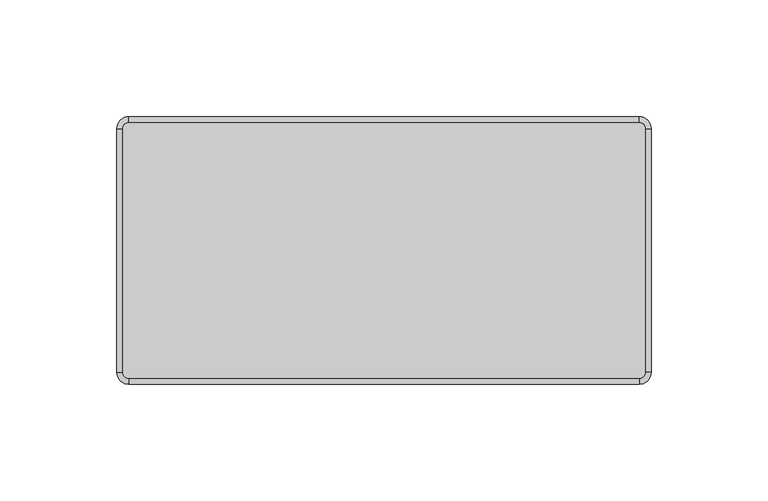
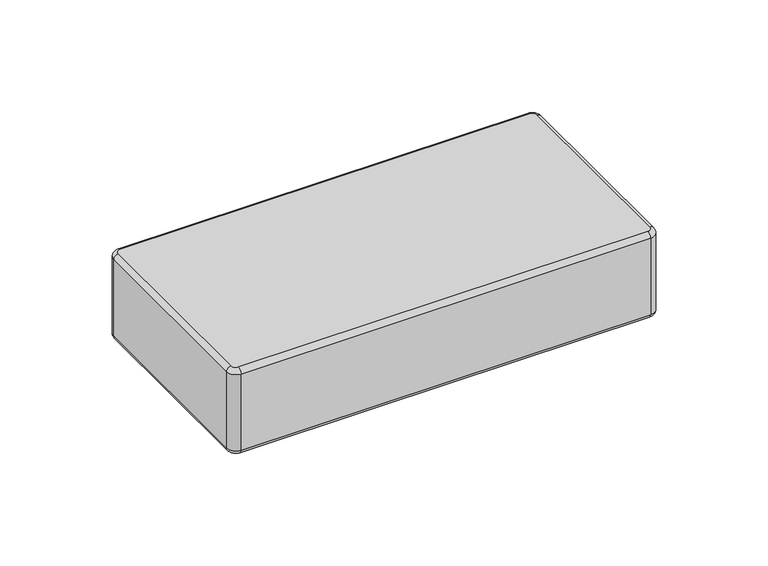
"""IFC4 building model written with IfcOpenShell, lengths in millimetres: plate geometry."""

from ifc_helpers import new_model, si_unit, point, frame, origin, place, context, project, spatial, circle_curve, ellipse_curve, trimmed, source, transform, mapped, element, save
from ifc_brep_helpers import plane_surface, cylinder_surface, revolved_surface, advanced_brep


def plate_af0381b7(model_context):
    return source(origin(), model_context, "Body", "AdvancedBrep", [
        advanced_brep(
        [(111.7999998, 52.15, 48.0), (109.2999998, 54.65, 48.0), (-109.3000002, 54.65, 48.0), (-111.8000002, 52.15, 48.0), (-111.8000002, -52.15, 48.0), (-109.3000002, -54.65, 48.0), (109.2999998, -54.65, 48.0), (111.7999998, -52.15, 48.0), (-111.8000002, 52.15, 0.0), (-109.3000002, 54.65, 0.0), (109.2999998, 54.65, 0.0), (111.7999998, 52.15, 0.0), (111.7999998, -52.15, 0.0), (109.2999998, -54.65, 0.0), (-109.3000002, -54.65, 0.0), (-111.8000002, -52.15, 0.0), (-109.3000002, -57.15, 2.5), (109.2999998, -57.15, 2.5), (109.2999998, -57.15, 45.5), (-109.3000002, -57.15, 45.5), (114.2999998, -52.15, 2.5), (114.2999998, 52.15, 2.5), (114.2999998, 52.15, 45.5000019), (114.2999998, -52.15, 45.5), (109.2999998, 57.15, 2.5), (-109.3000002, 57.15, 2.5), (-109.3000002, 57.15, 45.5), (109.2999998, 57.15, 45.5), (-114.3000002, 52.15, 2.5), (-114.3000002, -52.15, 2.5), (-114.3000002, -52.15, 45.5), (-114.3000002, 52.15, 45.5)],
        [
            (0, 1, circle_curve(frame((109.2999998, 52.15, 48.0), z_axis=(0.0, 0.0, 1.0), x_axis=(1.0, 0.0, 0.0)), 2.5)),
            (1, 2),
            (2, 3, circle_curve(frame((-109.3000002, 52.15, 48.0), z_axis=(0.0, 0.0, 1.0), x_axis=(0.0, 1.0, 0.0)), 2.5)),
            (3, 4),
            (4, 5, circle_curve(frame((-109.3000002, -52.15, 48.0), z_axis=(0.0, 0.0, 1.0), x_axis=(-1.0, 0.0, 0.0)), 2.5)),
            (5, 6),
            (6, 7, circle_curve(frame((109.2999998, -52.15, 48.0), z_axis=(0.0, 0.0, 1.0), x_axis=(0.0, -1.0, 0.0)), 2.5)),
            (7, 0),
            (8, 9, circle_curve(frame((-109.3000002, 52.15, 0.0), z_axis=(0.0, 0.0, -1.0), x_axis=(-1.0, 0.0, 0.0)), 2.5)),
            (9, 10),
            (10, 11, circle_curve(frame((109.2999998, 52.15, 0.0), z_axis=(0.0, 0.0, -1.0), x_axis=(0.0, 1.0, 0.0)), 2.5)),
            (11, 12),
            (12, 13, circle_curve(frame((109.2999998, -52.15, 0.0), z_axis=(0.0, 0.0, -1.0), x_axis=(1.0, 0.0, 0.0)), 2.5)),
            (13, 14),
            (14, 15, circle_curve(frame((-109.3000002, -52.15, 0.0), z_axis=(0.0, 0.0, -1.0), x_axis=(0.0, -1.0, 0.0)), 2.5)),
            (15, 8),
            (16, 17),
            (17, 18),
            (18, 19),
            (19, 16),
            (20, 21),
            (21, 22),
            (22, 23),
            (23, 20),
            (24, 25),
            (25, 26),
            (26, 27),
            (27, 24),
            (28, 29),
            (29, 30),
            (30, 31),
            (31, 28),
            (29, 16, circle_curve(frame((-109.3000002, -52.15, 2.5), z_axis=(0.0, 0.0, 1.0), x_axis=(1.0, 0.0, 0.0)), 5.0)),
            (19, 30, circle_curve(frame((-109.3000002, -52.15, 45.5), z_axis=(0.0, 0.0, -1.0), x_axis=(1.0, 0.0, 0.0)), 5.0)),
            (17, 20, circle_curve(frame((109.2999998, -52.15, 2.5), z_axis=(0.0, 0.0, 1.0), x_axis=(1.0, 0.0, 0.0)), 5.0)),
            (23, 18, circle_curve(frame((109.2999998, -52.15, 45.5), z_axis=(0.0, 0.0, -1.0), x_axis=(1.0, 0.0, 0.0)), 5.0)),
            (21, 24, circle_curve(frame((109.2999998, 52.15, 2.5), z_axis=(0.0, 0.0, 1.0), x_axis=(1.0, 0.0, 0.0)), 5.0)),
            (27, 22, circle_curve(frame((109.2999998, 52.15, 45.5), z_axis=(0.0, 0.0, -1.0), x_axis=(1.0, 0.0, 0.0)), 5.0)),
            (25, 28, circle_curve(frame((-109.3000002, 52.15, 2.5), z_axis=(0.0, 0.0, 1.0), x_axis=(1.0, 0.0, 0.0)), 5.0)),
            (31, 26, circle_curve(frame((-109.3000002, 52.15, 45.5), z_axis=(0.0, 0.0, -1.0), x_axis=(1.0, 0.0, 0.0)), 5.0)),
            (25, 9, circle_curve(frame((-109.3000002, 54.65, 2.5), z_axis=(-1.0, 0.0, 0.0), x_axis=(0.0, -1.0, 0.0)), 2.5)),
            (8, 28, circle_curve(frame((-111.8000002, 52.15, 2.5), z_axis=(0.0, 1.0, 0.0), x_axis=(1.0, 0.0, 0.0)), 2.5)),
            (24, 10, circle_curve(frame((109.2999998, 54.65, 2.5), z_axis=(-1.0, 0.0, 0.0), x_axis=(0.0, -1.0, 0.0)), 2.5)),
            (21, 11, circle_curve(frame((111.7999998, 52.15, 2.5), z_axis=(0.0, 1.0, 0.0), x_axis=(-1.0, 0.0, 0.0)), 2.5)),
            (20, 12, circle_curve(frame((111.7999998, -52.15, 2.5), z_axis=(0.0, 1.0, 0.0), x_axis=(-1.0, 0.0, 0.0)), 2.5)),
            (17, 13, circle_curve(frame((109.2999998, -54.65, 2.5), z_axis=(1.0, 0.0, 0.0), x_axis=(0.0, 1.0, 0.0)), 2.5)),
            (16, 14, circle_curve(frame((-109.3000002, -54.65, 2.5), z_axis=(1.0, 0.0, 0.0), x_axis=(0.0, 1.0, 0.0)), 2.5)),
            (29, 15, circle_curve(frame((-111.8000002, -52.15, 2.5), z_axis=(0.0, -1.0, 0.0), x_axis=(1.0, 0.0, 0.0)), 2.5)),
            (27, 1, circle_curve(frame((109.2999998, 54.65, 45.5), z_axis=(1.0, 0.0, 0.0), x_axis=(0.0, -1.0, 0.0)), 2.5)),
            (0, 22, circle_curve(frame((111.7999998, 52.15, 45.5), z_axis=(0.0, 1.0, 0.0), x_axis=(-1.0, 0.0, 0.0)), 2.5)),
            (26, 2, circle_curve(frame((-109.3000002, 54.65, 45.5), z_axis=(1.0, 0.0, 0.0), x_axis=(0.0, -1.0, 0.0)), 2.5)),
            (31, 3, circle_curve(frame((-111.8000002, 52.15, 45.5), z_axis=(0.0, 1.0, 0.0), x_axis=(1.0, 0.0, 0.0)), 2.5)),
            (30, 4, circle_curve(frame((-111.8000002, -52.15, 45.5), z_axis=(0.0, 1.0, 0.0), x_axis=(1.0, 0.0, 0.0)), 2.5)),
            (19, 5, circle_curve(frame((-109.3000002, -54.65, 45.5), z_axis=(-1.0, 0.0, 0.0), x_axis=(0.0, 1.0, 0.0)), 2.5)),
            (18, 6, circle_curve(frame((109.2999998, -54.65, 45.5), z_axis=(-1.0, 0.0, 0.0), x_axis=(0.0, 1.0, 0.0)), 2.5)),
            (23, 7, circle_curve(frame((111.7999998, -52.15, 45.5), z_axis=(0.0, -1.0, 0.0), x_axis=(-1.0, 0.0, 0.0)), 2.5)),
        ],
        [
            plane_surface(frame((-104.3000002, -52.15, 48.0), z_axis=(0.0, 0.0, 1.0), x_axis=(0.0, 1.0, 0.0))),
            plane_surface(frame((-104.3000002, -52.15, 0.0), z_axis=(0.0, 0.0, -1.0), x_axis=(0.0, -1.0, 0.0))),
            plane_surface(frame((-109.3000002, -57.15, 48.0), z_axis=(0.0, -1.0, 0.0), x_axis=(0.0, 0.0, -1.0))),
            plane_surface(frame((114.2999998, -52.15, 48.0), z_axis=(1.0, 0.0, 0.0), x_axis=(0.0, 0.0, -1.0))),
            plane_surface(frame((109.2999998, 57.15, 48.0), z_axis=(0.0, 1.0, 0.0), x_axis=(0.0, 0.0, -1.0))),
            plane_surface(frame((-114.3000002, 52.15, 48.0), z_axis=(-1.0, 0.0, 0.0), x_axis=(0.0, 0.0, -1.0))),
            cylinder_surface(frame((-109.3000002, -52.15, 0.0), z_axis=(0.0, 0.0, 1.0), x_axis=(1.0, 0.0, 0.0)), 5.0),
            cylinder_surface(frame((109.2999998, -52.15, 0.0), z_axis=(0.0, 0.0, 1.0), x_axis=(1.0, 0.0, 0.0)), 5.0),
            cylinder_surface(frame((109.2999998, 52.15, 0.0), z_axis=(0.0, 0.0, 1.0), x_axis=(1.0, 0.0, 0.0)), 5.0),
            cylinder_surface(frame((-109.3000002, 52.15, 0.0), z_axis=(0.0, 0.0, 1.0), x_axis=(1.0, 0.0, 0.0)), 5.0),
            revolved_surface(trimmed(ellipse_curve(frame((-111.8000002, 52.15, 2.5), z_axis=(0.0, -1.0, 0.0), x_axis=(1.0, 0.0, 0.0)), 2.5, 2.5), [point((-114.3000002, 52.15, 2.5))], [point((-111.8000002, 52.15, 0.0))], True, "CARTESIAN"), (-109.3000002, 52.15, 0.0), (0.0, 0.0, -1.0)),
            cylinder_surface(frame((-109.3000002, 54.65, 2.5), z_axis=(1.0, 0.0, 0.0), x_axis=(0.0, -1.0, 0.0)), 2.5),
            revolved_surface(trimmed(ellipse_curve(frame((109.2999998, 54.65, 2.5), z_axis=(-1.0, 0.0, 0.0), x_axis=(0.0, -1.0, 0.0)), 2.5, 2.5), [point((109.2999998, 57.15, 2.5))], [point((109.2999998, 54.65, 0.0))], True, "CARTESIAN"), (109.2999998, 52.15, 0.0), (0.0, 0.0, -1.0)),
            cylinder_surface(frame((111.7999998, 52.15, 2.5), z_axis=(0.0, -1.0, 0.0), x_axis=(-1.0, 0.0, 0.0)), 2.5),
            revolved_surface(trimmed(ellipse_curve(frame((111.7999998, -52.15, 2.5), z_axis=(0.0, 1.0, 0.0), x_axis=(-1.0, 0.0, 0.0)), 2.5, 2.5), [point((114.2999998, -52.15, 2.5))], [point((111.7999998, -52.15, 0.0))], True, "CARTESIAN"), (109.2999998, -52.15, 0.0), (0.0, 0.0, -1.0)),
            cylinder_surface(frame((109.2999998, -54.65, 2.5), z_axis=(-1.0, 0.0, 0.0), x_axis=(0.0, 1.0, 0.0)), 2.5),
            revolved_surface(trimmed(ellipse_curve(frame((-109.3000002, -54.65, 2.5), z_axis=(1.0, 0.0, 0.0), x_axis=(0.0, 1.0, 0.0)), 2.5, 2.5), [point((-109.3000002, -57.15, 2.5))], [point((-109.3000002, -54.65, 0.0))], True, "CARTESIAN"), (-109.3000002, -52.15, 0.0), (0.0, 0.0, -1.0)),
            cylinder_surface(frame((-111.8000002, -52.15, 2.5), z_axis=(0.0, 1.0, 0.0), x_axis=(1.0, 0.0, 0.0)), 2.5),
            revolved_surface(trimmed(ellipse_curve(frame((111.7999998, 52.15, 45.5), z_axis=(0.0, -1.0, 0.0), x_axis=(-1.0, 0.0, 0.0)), 2.5, 2.5), [point((114.2999998, 52.15, 45.5))], [point((111.7999998, 52.15, 48.0))], True, "CARTESIAN"), (109.2999998, 52.15, 48.0), (0.0, 0.0, 1.0)),
            cylinder_surface(frame((109.2999998, 54.65, 45.5), z_axis=(-1.0, 0.0, 0.0), x_axis=(0.0, -1.0, 0.0)), 2.5),
            revolved_surface(trimmed(ellipse_curve(frame((-109.3000002, 54.65, 45.5), z_axis=(1.0, 0.0, 0.0), x_axis=(0.0, -1.0, 0.0)), 2.5, 2.5), [point((-109.3000002, 57.15, 45.5))], [point((-109.3000002, 54.65, 48.0))], True, "CARTESIAN"), (-109.3000002, 52.15, 48.0), (0.0, 0.0, 1.0)),
            cylinder_surface(frame((-111.8000002, 52.15, 45.5), z_axis=(0.0, -1.0, 0.0), x_axis=(1.0, 0.0, 0.0)), 2.5),
            revolved_surface(trimmed(ellipse_curve(frame((-111.8000002, -52.15, 45.5), z_axis=(0.0, 1.0, 0.0), x_axis=(1.0, 0.0, 0.0)), 2.5, 2.5), [point((-114.3000002, -52.15, 45.5))], [point((-111.8000002, -52.15, 48.0))], True, "CARTESIAN"), (-109.3000002, -52.15, 48.0), (0.0, 0.0, 1.0)),
            cylinder_surface(frame((-109.3000002, -54.65, 45.5), z_axis=(1.0, 0.0, 0.0), x_axis=(0.0, 1.0, 0.0)), 2.5),
            revolved_surface(trimmed(ellipse_curve(frame((109.2999998, -54.65, 45.5), z_axis=(-1.0, 0.0, 0.0), x_axis=(0.0, 1.0, 0.0)), 2.5, 2.5), [point((109.2999998, -57.15, 45.5))], [point((109.2999998, -54.65, 48.0))], True, "CARTESIAN"), (109.2999998, -52.15, 48.0), (0.0, 0.0, 1.0)),
            cylinder_surface(frame((111.7999998, -52.15, 45.5), z_axis=(0.0, 1.0, 0.0), x_axis=(-1.0, 0.0, 0.0)), 2.5),
        ],
        [
            (0, [[1, 2, 3, 4, 5, 6, 7, 8]]),
            (1, [[9, 10, 11, 12, 13, 14, 15, 16]]),
            (2, [[17, 18, 19, 20]]),
            (3, [[21, 22, 23, 24]]),
            (4, [[25, 26, 27, 28]]),
            (5, [[29, 30, 31, 32]]),
            (6, [[33, -20, 34, -30]]),
            (7, [[35, -24, 36, -18]]),
            (8, [[37, -28, 38, -22]]),
            (9, [[39, -32, 40, -26]]),
            (10, [[41, -9, 42, -39]]),
            (11, [[-41, -25, 43, -10]]),
            (12, [[-43, -37, 44, -11]]),
            (13, [[-44, -21, 45, -12]]),
            (14, [[-45, -35, 46, -13]]),
            (15, [[-46, -17, 47, -14]]),
            (16, [[-47, -33, 48, -15]]),
            (17, [[-42, -16, -48, -29]]),
            (18, [[49, -1, 50, -38]]),
            (19, [[-49, -27, 51, -2]]),
            (20, [[-51, -40, 52, -3]]),
            (21, [[-52, -31, 53, -4]]),
            (22, [[-53, -34, 54, -5]]),
            (23, [[-54, -19, 55, -6]]),
            (24, [[-55, -36, 56, -7]]),
            (25, [[-50, -8, -56, -23]]),
        ],
    ),
    ])


if __name__ == "__main__":
    model = new_model("IFC4")
    model_context = context("Model", 3, world=origin())
    ifc_project = project(units=[si_unit("LENGTHUNIT", "METRE", prefix="MILLI")], contexts=[model_context])
    site = spatial("IfcSite", under=ifc_project)
    building = spatial("IfcBuilding", under=site)
    placement = place(None, origin())
    plate_shape = plate_af0381b7(model_context)
    element("IfcPlate", 1, at=placement, inside=building, context=model_context, shape_type="MappedRepresentation", body=[
        mapped(plate_shape, transform((0.0, 0.0, 0.0), x_axis=(1.0, 0.0, 0.0), y_axis=(0.0, 1.0, 0.0), z_axis=(0.0, 0.0, 1.0))),
    ])
    save(model, "model.ifc")
